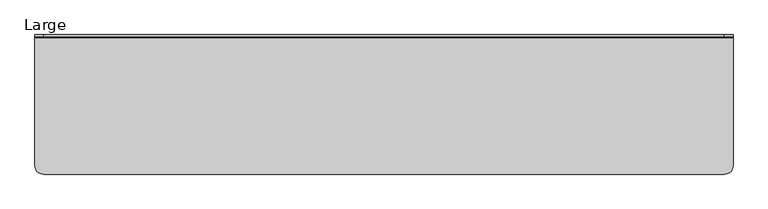
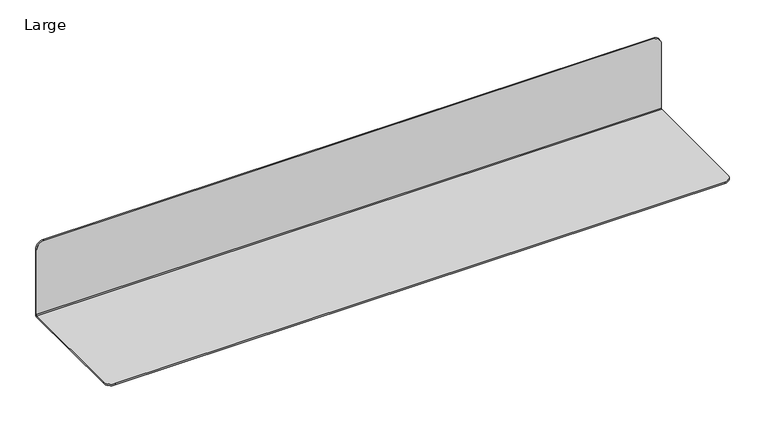
"""IFC4 building model written with IfcOpenShell, lengths in millimetres: furniture geometry, Large."""

from ifc_helpers import new_model, si_unit, frame, origin, place, context, project, spatial, polyline, circle_curve, source, transform, mapped, element, save
from ifc_brep_helpers import plane_surface, cylinder_surface, revolved_surface, advanced_brep


def large_eedbdc1d(model_context):
    return source(origin(), model_context, "Body", "AdvancedBrep", [
        advanced_brep(
        [(508.0, 99.06, 3.81), (508.0, 99.06, 114.3), (495.3, 99.06, 127.0), (-495.3, 99.06, 127.0), (-508.0, 99.06, 114.3), (-508.0, 99.06, 3.81), (-508.0, 101.6, 114.3), (-495.3, 101.6, 127.0), (495.3, 101.6, 127.0), (508.0, 101.6, 114.3), (508.0, 101.6, 2.54), (-508.0, 101.6, 2.54), (508.0, 97.79, 2.54), (508.0, -88.9, 2.54), (508.0, -88.9, 0.0), (508.0, 99.06, 0.0), (-508.0, 99.06, 0.0), (-508.0, -88.9, 0.0), (-508.0, -88.9, 2.54), (-508.0, 97.79, 2.54), (495.3, -101.6, 0.0), (-495.3, -101.6, 0.0), (-495.3, -101.6, 2.54), (495.3, -101.6, 2.54)],
        [
            (0, 1),
            (1, 2, circle_curve(frame((495.3, 99.06, 114.3), z_axis=(0.0, -1.0, 0.0), x_axis=(1.0, 0.0, 0.0)), 12.7)),
            (2, 3),
            (3, 4, circle_curve(frame((-495.3, 99.06, 114.3), z_axis=(0.0, -1.0, 0.0), x_axis=(1.0, 0.0, 0.0)), 12.7)),
            (4, 5),
            (5, 0),
            (6, 7, circle_curve(frame((-495.3, 101.6, 114.3), z_axis=(0.0, 1.0, 0.0), x_axis=(1.0, 0.0, 0.0)), 12.7)),
            (7, 8),
            (8, 9, circle_curve(frame((495.3, 101.6, 114.3), z_axis=(0.0, 1.0, 0.0), x_axis=(1.0, 0.0, 0.0)), 12.7)),
            (9, 10),
            (10, 11),
            (11, 6),
            (0, 12, circle_curve(frame((508.0, 97.79, 3.81), z_axis=(-1.0, 0.0, 0.0), x_axis=(0.0, 1.0, 0.0)), 1.27)),
            (12, 13),
            (13, 14),
            (14, 15),
            (15, 10, circle_curve(frame((508.0, 99.06, 2.54), z_axis=(1.0, 0.0, 0.0), x_axis=(0.0, 1.0, 0.0)), 2.54)),
            (9, 1),
            (8, 2),
            (7, 3),
            (6, 4),
            (11, 16, circle_curve(frame((-508.0, 99.06, 2.54), z_axis=(-1.0, 0.0, 0.0), x_axis=(0.0, 1.0, 0.0)), 2.54)),
            (16, 17),
            (17, 18),
            (18, 19),
            (19, 5, circle_curve(frame((-508.0, 97.79, 3.81), z_axis=(1.0, 0.0, 0.0), x_axis=(0.0, 1.0, 0.0)), 1.27)),
            (19, 12),
            (14, 20, circle_curve(frame((495.3, -88.9, 0.0), z_axis=(0.0, 0.0, -1.0), x_axis=(1.0, 0.0, 0.0)), 12.7)),
            (20, 21),
            (21, 17, circle_curve(frame((-495.3, -88.9, 0.0), z_axis=(0.0, 0.0, -1.0), x_axis=(1.0, 0.0, 0.0)), 12.7)),
            (16, 15),
            (18, 22, circle_curve(frame((-495.3, -88.9, 2.54), z_axis=(0.0, 0.0, 1.0), x_axis=(1.0, 0.0, 0.0)), 12.7)),
            (22, 23),
            (23, 13, circle_curve(frame((495.3, -88.9, 2.54), z_axis=(0.0, 0.0, 1.0), x_axis=(1.0, 0.0, 0.0)), 12.7)),
            (21, 22),
            (20, 23),
        ],
        [
            plane_surface(frame((-508.0, 99.06, 3.81), z_axis=(0.0, -1.0, 0.0), x_axis=(1.0, 0.0, 0.0))),
            plane_surface(frame((-508.0, 101.6, 3.81), z_axis=(0.0, 1.0, 0.0), x_axis=(-1.0, 0.0, 0.0))),
            plane_surface(frame((508.0, 99.06, 3.81), z_axis=(1.0, 0.0, 0.0), x_axis=(0.0, 1.0, 0.0))),
            cylinder_surface(frame((495.3, 101.6, 114.3), z_axis=(0.0, -1.0, 0.0), x_axis=(1.0, 0.0, 0.0)), 12.7),
            plane_surface(frame((495.3, 99.06, 127.0), z_axis=(0.0, 0.0, 1.0), x_axis=(0.0, 1.0, 0.0))),
            cylinder_surface(frame((-495.3, 101.6, 114.3), z_axis=(0.0, -1.0, 0.0), x_axis=(1.0, 0.0, 0.0)), 12.7),
            plane_surface(frame((-508.0, 99.06, 114.3), z_axis=(-1.0, 0.0, 0.0), x_axis=(0.0, 1.0, 0.0))),
            revolved_surface(polyline([(-508.0, 99.06, 3.81), (508.0, 99.06, 3.81)]), (-508.0, 97.79, 3.81), (-1.0, 0.0, 0.0)),
            plane_surface(frame((508.0, 97.79, 0.0), z_axis=(0.0, 0.0, -1.0), x_axis=(-1.0, 0.0, 0.0))),
            cylinder_surface(frame((-508.0, 99.06, 2.54), z_axis=(1.0, 0.0, 0.0), x_axis=(0.0, 1.0, 0.0)), 2.54),
            plane_surface(frame((-482.6, -88.9, 2.54), z_axis=(0.0, 0.0, 1.0), x_axis=(0.0, 1.0, 0.0))),
            cylinder_surface(frame((-495.3, -88.9, 0.0), z_axis=(0.0, 0.0, 1.0), x_axis=(1.0, 0.0, 0.0)), 12.7),
            plane_surface(frame((-495.3, -101.6, 2.54), z_axis=(0.0, -1.0, 0.0), x_axis=(0.0, 0.0, -1.0))),
            cylinder_surface(frame((495.3, -88.9, 0.0), z_axis=(0.0, 0.0, 1.0), x_axis=(1.0, 0.0, 0.0)), 12.7),
        ],
        [
            (0, [[1, 2, 3, 4, 5, 6]]),
            (1, [[7, 8, 9, 10, 11, 12]]),
            (2, [[-1, 13, 14, 15, 16, 17, -10, 18]]),
            (3, [[-2, -18, -9, 19]]),
            (4, [[-3, -19, -8, 20]]),
            (5, [[-4, -20, -7, 21]]),
            (6, [[-5, -21, -12, 22, 23, 24, 25, 26]]),
            (7, [[-13, -6, -26, 27]]),
            (8, [[-16, 28, 29, 30, -23, 31]]),
            (9, [[-17, -31, -22, -11]]),
            (10, [[32, 33, 34, -14, -27, -25]]),
            (11, [[-32, -24, -30, 35]]),
            (12, [[-33, -35, -29, 36]]),
            (13, [[-34, -36, -28, -15]]),
        ],
    ),
    ])


if __name__ == "__main__":
    model = new_model("IFC4")
    model_context = context("Model", 3, world=origin())
    ifc_project = project(units=[si_unit("LENGTHUNIT", "METRE", prefix="MILLI")], contexts=[model_context])
    site = spatial("IfcSite", under=ifc_project)
    building = spatial("IfcBuilding", under=site)
    placement = place(None, origin())
    large_shape = large_eedbdc1d(model_context)
    element("IfcFurniture", 1, ObjectType="Large", at=placement, inside=building, context=model_context, shape_type="MappedRepresentation", body=[
        mapped(large_shape, transform((0.0, 0.0, 0.0), x_axis=(1.0, 0.0, 0.0), y_axis=(0.0, 1.0, 0.0), z_axis=(0.0, 0.0, 1.0))),
    ])
    save(model, "model.ifc")
